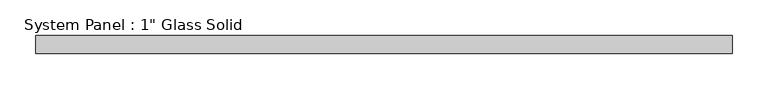
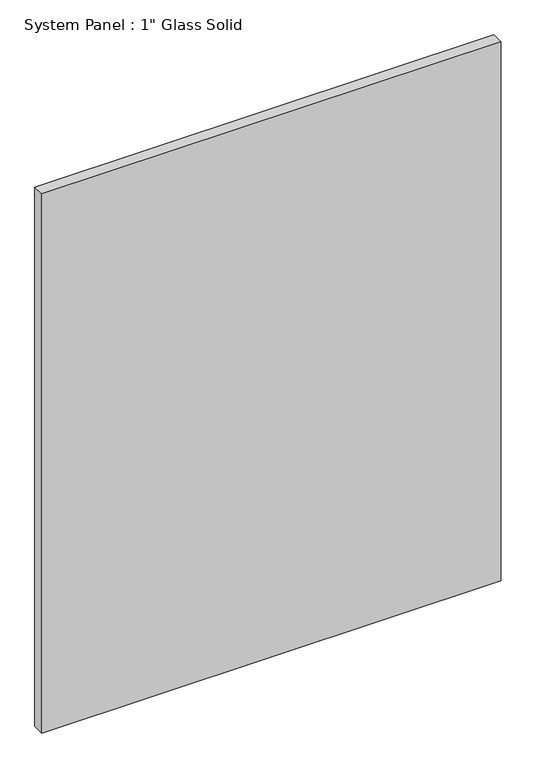
"""IFC4 building model written with IfcOpenShell, lengths in millimetres: plate geometry."""

from ifc_helpers import new_model, si_unit, origin, origin_with_axes, place, context, project, spatial, polyline, outline, extrude, source, transform, mapped, element, save


def plate_db4c45a4(model_context):
    return source(origin(), model_context, "Body", "SweptSolid", [
        extrude(outline(polyline([(489.9239953, -12.7), (-489.9239953, -12.7), (-489.9239953, 12.7), (489.9239953, 12.7), (489.9239953, -12.7)])), origin_with_axes(), (0.0, 0.0, 1.0), 1216.025),
    ])


if __name__ == "__main__":
    model = new_model("IFC4")
    model_context = context("Model", 3, world=origin())
    ifc_project = project(units=[si_unit("LENGTHUNIT", "METRE", prefix="MILLI")], contexts=[model_context])
    site = spatial("IfcSite", under=ifc_project)
    building = spatial("IfcBuilding", under=site)
    placement = place(None, origin())
    plate_shape = plate_db4c45a4(model_context)
    element("IfcPlate", 1, ObjectType="System Panel : 1\" Glass Solid", at=placement, inside=building, context=model_context, shape_type="MappedRepresentation", body=[
        mapped(plate_shape, transform((0.0, 0.0, 0.0), x_axis=(1.0, 0.0, 0.0), y_axis=(0.0, 1.0, 0.0), z_axis=(0.0, 0.0, 1.0))),
    ])
    save(model, "model.ifc")
